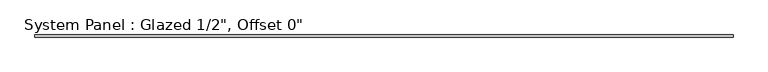
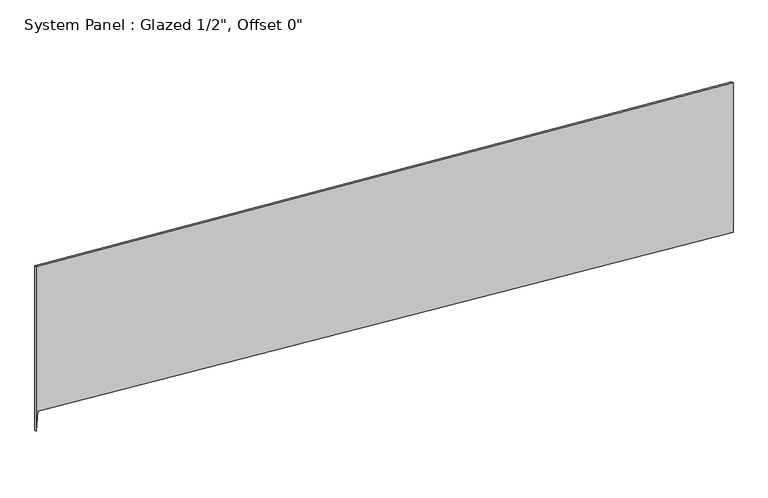
"""IFC4 building model written with IfcOpenShell, lengths in millimetres: plate geometry."""

from ifc_helpers import new_model, si_unit, frame, origin, place, context, project, spatial, polyline, outline, extrude, source, transform, mapped, element, save


def plate_0bccfa49(model_context):
    return source(origin(), model_context, "Body", "SweptSolid", [
        extrude(outline(polyline([(329.4910436, -2107.8520938), (0.0, 2117.725), (960.0788872, 2117.725), (1259.7768465, -2117.725), (202.8753821, -2117.725), (329.4910436, -2107.8520938)])), frame((0.0, -6.35, 0.0), z_axis=(0.0, 1.0, 0.0), x_axis=(0.0, 0.0, 1.0)), (0.0, 0.0, 1.0), 12.7),
    ])


if __name__ == "__main__":
    model = new_model("IFC4")
    model_context = context("Model", 3, world=origin())
    ifc_project = project(units=[si_unit("LENGTHUNIT", "METRE", prefix="MILLI")], contexts=[model_context])
    site = spatial("IfcSite", under=ifc_project)
    building = spatial("IfcBuilding", under=site)
    placement = place(None, origin())
    plate_shape = plate_0bccfa49(model_context)
    element("IfcPlate", 1, ObjectType="System Panel : Glazed 1/2\", Offset 0\"", at=placement, inside=building, context=model_context, shape_type="MappedRepresentation", body=[
        mapped(plate_shape, transform((0.0, 0.0, 0.0), x_axis=(1.0, 0.0, 0.0), y_axis=(0.0, 1.0, 0.0), z_axis=(0.0, 0.0, 1.0))),
    ])
    save(model, "model.ifc")
